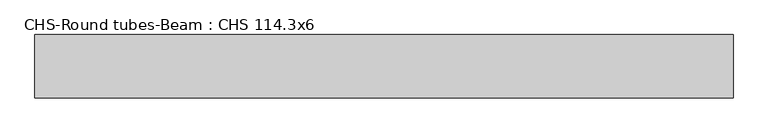
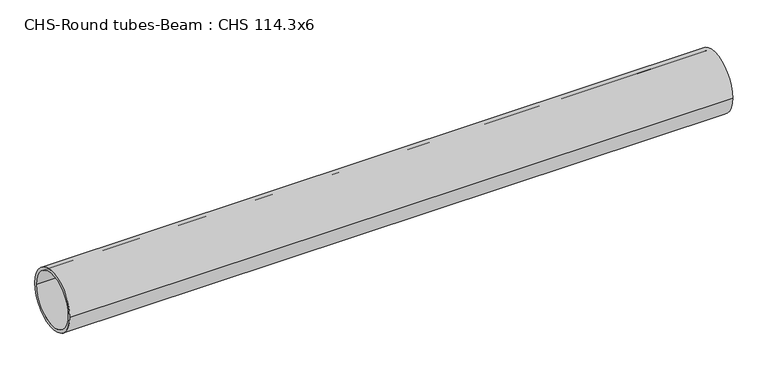
"""IFC4 building model written with IfcOpenShell, lengths in millimetres: beam geometry, CHS-Round tubes-Beam : CHS 114.3x6."""

import ifcopenshell
import ifcopenshell.guid

model = None  # the IFC model being written
_history = None  # IfcOwnerHistory: only IFC2X3 demands one
_inside = {}  # id of a spatial element -> (the spatial element, [elements in it])
_under = {}  # id of a project, library or spatial element -> (it, [spatial elements below it])
_declared = {}  # id of a project -> (the project, [libraries it declares])
_typed = {}  # id of a type object -> (the type object, [elements of that type])
_made_of = {}  # id of a material, layer set ... -> (it, [elements and type objects made of it])


def new_model(schema):
    """Start an empty IFC model of exactly this schema.

    Asked for "IFC4X3", IfcOpenShell would pick the latest addendum, in which some entities
    have other attributes; the version numbers below select the first issue.
    IFC2X3 requires an IfcOwnerHistory on every rooted entity: one is made here for all.
    """
    global model, _history
    if schema == "IFC4X3":
        model = ifcopenshell.file(schema_version=(4, 3, 0, 0))
    else:
        model = ifcopenshell.file(schema=schema)
    _inside.clear()
    _under.clear()
    _declared.clear()
    _typed.clear()
    _made_of.clear()
    _history = None
    if model.schema == "IFC2X3":
        org = make("IfcOrganization", Name="unknown")
        user = make(
            "IfcPersonAndOrganization",
            ThePerson=make("IfcPerson", FamilyName="unknown"),
            TheOrganization=org,
        )
        app = make(
            "IfcApplication",
            ApplicationDeveloper=org,
            Version="unknown",
            ApplicationFullName="unknown",
            ApplicationIdentifier="unknown",
        )
        _history = make(
            "IfcOwnerHistory",
            OwningUser=user,
            OwningApplication=app,
            ChangeAction="ADDED",
            CreationDate=0,
        )
    return model


def make(cls, **values):
    """One entity of the class cls with the attributes given. An attribute that is None is left unset."""
    return model.create_entity(
        cls, **{name: value for name, value in values.items() if value is not None}
    )


def rooted(cls, **values):
    """An entity with a GlobalId (a new one), such as an element, a storey or a relation."""
    return make(cls, GlobalId=ifcopenshell.guid.new(), OwnerHistory=_history, **values)


def si_unit(unit_type, name, prefix=None):
    """IfcSIUnit, for example si_unit("LENGTHUNIT", "METRE", prefix="MILLI")."""
    return make("IfcSIUnit", UnitType=unit_type, Prefix=prefix, Name=name)


def assignment(units):
    """IfcUnitAssignment: the units of a project."""
    return None if units is None else make("IfcUnitAssignment", Units=units)


def point(xyz):
    """IfcCartesianPoint."""
    return None if xyz is None else make("IfcCartesianPoint", Coordinates=xyz)


def direction(xyz):
    """IfcDirection."""
    return None if xyz is None else make("IfcDirection", DirectionRatios=xyz)


def frame(location, z_axis=None, x_axis=None):
    """IfcAxis2Placement3D, a coordinate frame: its origin and axes. An axis left out is left unset."""
    return make(
        "IfcAxis2Placement3D",
        Location=point(location),
        Axis=direction(z_axis),
        RefDirection=direction(x_axis),
    )


def frame_2d(location, x_axis=None):
    """IfcAxis2Placement2D, a coordinate frame in the plane: its origin and x axis."""
    return make(
        "IfcAxis2Placement2D", Location=point(location), RefDirection=direction(x_axis)
    )


def origin():
    """The frame at (0, 0, 0) with its axes left unset."""
    return frame((0.0, 0.0, 0.0))


def origin_2d():
    """The frame at (0, 0) in the plane with its x axis left unset."""
    return frame_2d((0.0, 0.0))


def place(relative_to, where):
    """IfcLocalPlacement: puts the frame where relative to a parent placement (None: the world)."""
    return make(
        "IfcLocalPlacement", PlacementRelTo=relative_to, RelativePlacement=where
    )


def context(
    kind, dimensions, precision=None, world=None, true_north=None, identifier=None
):
    """IfcGeometricRepresentationContext, for example the 3D "Model" context."""
    return make(
        "IfcGeometricRepresentationContext",
        ContextIdentifier=identifier,
        ContextType=kind,
        CoordinateSpaceDimension=dimensions,
        Precision=precision,
        WorldCoordinateSystem=world,
        TrueNorth=true_north,
    )


def project(units=None, contexts=None):
    """IfcProject with its units and contexts."""
    return rooted(
        "IfcProject",
        Name="project",
        RepresentationContexts=contexts,
        UnitsInContext=assignment(units),
    )


def spatial(cls, under=None, at=None, **own):
    """A site, building, storey or space (cls), placed at a placement, below another one or the project."""
    s = rooted(cls, ObjectPlacement=at, **own)
    if under is not None:
        _under.setdefault(under.id(), (under, []))[1].append(s)
    return s


def circle_curve(where, radius):
    """IfcCircle in the frame where."""
    return make("IfcCircle", Position=where, Radius=radius)


def trimmed(basis, trim1, trim2, sense, master):
    """IfcTrimmedCurve: the piece of a basis curve between two trims."""
    return make(
        "IfcTrimmedCurve",
        BasisCurve=basis,
        Trim1=trim1,
        Trim2=trim2,
        SenseAgreement=sense,
        MasterRepresentation=master,
    )


def segment(curve, same_sense, transition):
    """IfcCompositeCurveSegment."""
    return make(
        "IfcCompositeCurveSegment",
        Transition=transition,
        SameSense=same_sense,
        ParentCurve=curve,
    )


def composite_curve(segments, self_intersect=None):
    """IfcCompositeCurve: segments joined end to end."""
    return make("IfcCompositeCurve", Segments=segments, SelfIntersect=self_intersect)


def outline(outer, holes=None, kind="AREA"):
    """IfcArbitraryClosedProfileDef: a profile drawn as a closed curve; with holes, ...WithVoids."""
    if holes is None:
        return make("IfcArbitraryClosedProfileDef", ProfileType=kind, OuterCurve=outer)
    return make(
        "IfcArbitraryProfileDefWithVoids",
        ProfileType=kind,
        OuterCurve=outer,
        InnerCurves=holes,
    )


def extrude(swept, where, along, depth):
    """IfcExtrudedAreaSolid: the profile swept, set in the frame where, extruded along a direction by depth."""
    return make(
        "IfcExtrudedAreaSolid",
        SweptArea=swept,
        Position=where,
        ExtrudedDirection=direction(along),
        Depth=depth,
    )


def shape(context_of_items, identifier, shape_type, items):
    """IfcShapeRepresentation: the items that make up one representation, for example the "Body"."""
    return make(
        "IfcShapeRepresentation",
        ContextOfItems=context_of_items,
        RepresentationIdentifier=identifier,
        RepresentationType=shape_type,
        Items=items,
    )


def source(mapping_origin, context_of_items, identifier, shape_type, items):
    """IfcRepresentationMap: a shape defined once, which mapped items show again and again."""
    return make(
        "IfcRepresentationMap",
        MappingOrigin=mapping_origin,
        MappedRepresentation=shape(context_of_items, identifier, shape_type, items),
    )


def transform(
    local_origin,
    x_axis=None,
    y_axis=None,
    z_axis=None,
    scale=None,
    scale2=None,
    scale3=None,
    uniform=True,
):
    """IfcCartesianTransformationOperator3D, or its non-uniform kind. x_axis, y_axis, z_axis: its Axis1, 2, 3."""
    if uniform:
        return make(
            "IfcCartesianTransformationOperator3D",
            Axis1=direction(x_axis),
            Axis2=direction(y_axis),
            LocalOrigin=point(local_origin),
            Scale=scale,
            Axis3=direction(z_axis),
        )
    return make(
        "IfcCartesianTransformationOperator3DnonUniform",
        Axis1=direction(x_axis),
        Axis2=direction(y_axis),
        LocalOrigin=point(local_origin),
        Scale=scale,
        Axis3=direction(z_axis),
        Scale2=scale2,
        Scale3=scale3,
    )


def mapped(mapping_source, mapping_target):
    """IfcMappedItem: shows the shape of a source again, moved by a transform."""
    return make(
        "IfcMappedItem", MappingSource=mapping_source, MappingTarget=mapping_target
    )


def made_of(thing, what):
    """Note that an element or type object is made of a material, layer set ...; save() writes the relation."""
    if what is not None:
        _made_of.setdefault(what.id(), (what, []))[1].append(thing)
    return thing


def element(
    cls,
    number,
    at=None,
    inside=None,
    cuts=None,
    type_object=None,
    material=None,
    context=None,
    identifier="Body",
    shape_type=None,
    held_by="IfcProductDefinitionShape",
    body=None,
    shapes=None,
    **own,
):
    """One element of the class cls, such as IfcWall. Its Tag is "e" and its number.

    at: its placement. inside: the storey or other place that contains it. cuts: it is an
    opening in that element (IfcRelVoidsElement). A single representation is given by context,
    identifier, shape_type and body (its items); several are given by shapes. held_by: the class
    of the entity that holds the representations. save() writes the other relations.
    """
    e = rooted(cls, Tag="e%d" % number, ObjectPlacement=at, **own)
    if body is not None:
        shapes = [shape(context, identifier, shape_type, body)]
    if shapes is not None:
        e.Representation = make(held_by, Representations=shapes)
    if inside is not None:
        _inside.setdefault(inside.id(), (inside, []))[1].append(e)
    if cuts is not None:
        rooted(
            "IfcRelVoidsElement", RelatingBuildingElement=cuts, RelatedOpeningElement=e
        )
    if type_object is not None:
        _typed.setdefault(type_object.id(), (type_object, []))[1].append(e)
    return made_of(e, material)


def aggregate(whole, parts):
    """IfcRelAggregates: a whole, such as a stair, and the parts it consists of."""
    return rooted("IfcRelAggregates", RelatingObject=whole, RelatedObjects=parts)


def save(model, path):
    """Write the relations noted so far, then the file.

    IfcRelAggregates (storeys below a building ...), IfcRelContainedInSpatialStructure (elements
    in a storey), IfcRelDefinesByType, IfcRelAssociatesMaterial and IfcRelDeclares: one each for
    every whole, place, type object, material and project.
    """
    for whole, parts in _under.values():
        aggregate(whole, parts)
    for where, things in _inside.values():
        rooted(
            "IfcRelContainedInSpatialStructure",
            RelatedElements=things,
            RelatingStructure=where,
        )
    for kind, things in _typed.values():
        rooted("IfcRelDefinesByType", RelatedObjects=things, RelatingType=kind)
    for what, things in _made_of.values():
        rooted("IfcRelAssociatesMaterial", RelatedObjects=things, RelatingMaterial=what)
    for by, libraries in _declared.values():
        rooted("IfcRelDeclares", RelatingContext=by, RelatedDefinitions=libraries)
    model.write(path)


def chs_round_tubes_beam_chs_114_3x6_e58a5411(model_context):
    return source(origin(), model_context, "Body", "SweptSolid", [
        extrude(outline(composite_curve([segment(trimmed(circle_curve(origin_2d(), 57.15), [point((57.15, 0.0))], [point((-57.15, 0.0))], False, "CARTESIAN"), True, "CONTINUOUS"), segment(trimmed(circle_curve(origin_2d(), 57.15), [point((-57.15, 0.0))], [point((57.15, 0.0))], False, "CARTESIAN"), True, "CONTINUOUS")], self_intersect=False), holes=[composite_curve([segment(trimmed(circle_curve(origin_2d(), 51.15), [point((51.15, 0.0))], [point((-51.15, 0.0))], True, "CARTESIAN"), True, "CONTINUOUS"), segment(trimmed(circle_curve(origin_2d(), 51.15), [point((-51.15, 0.0))], [point((51.15, 0.0))], True, "CARTESIAN"), True, "CONTINUOUS")], self_intersect=False)]), frame((-627.8621359, 0.0, 0.0), z_axis=(1.0, 0.0, 0.0), x_axis=(0.0, 1.0, 0.0)), (0.0, 0.0, 1.0), 1255.7246791),
    ])


if __name__ == "__main__":
    model = new_model("IFC4")
    model_context = context("Model", 3, world=origin())
    ifc_project = project(units=[si_unit("LENGTHUNIT", "METRE", prefix="MILLI")], contexts=[model_context])
    site = spatial("IfcSite", under=ifc_project)
    building = spatial("IfcBuilding", under=site)
    placement = place(None, origin())
    chs_round_tubes_beam_chs_114_3x6_shape = chs_round_tubes_beam_chs_114_3x6_e58a5411(model_context)
    element("IfcBeam", 1, ObjectType="CHS-Round tubes-Beam : CHS 114.3x6", at=placement, inside=building, context=model_context, shape_type="MappedRepresentation", body=[
        mapped(chs_round_tubes_beam_chs_114_3x6_shape, transform((0.0, 0.0, 0.0), x_axis=(1.0, 0.0, 0.0), y_axis=(0.0, 1.0, 0.0), z_axis=(0.0, 0.0, 1.0))),
    ])
    save(model, "model.ifc")
